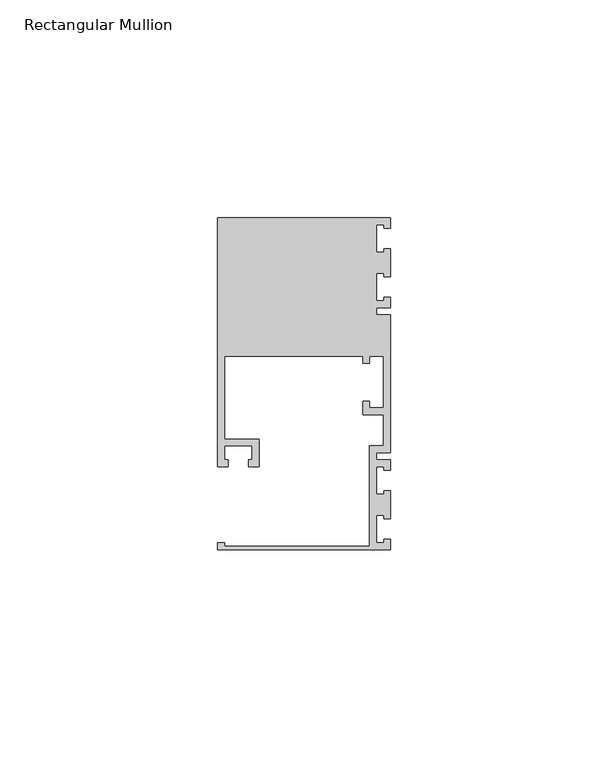
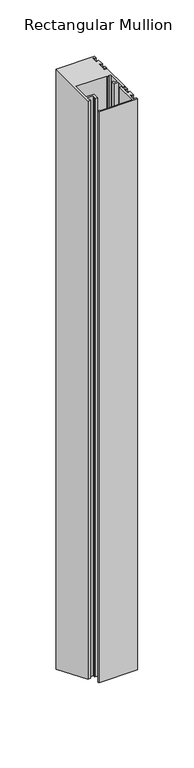
"""IFC4 building model written with IfcOpenShell, lengths in millimetres: member geometry, Rectangular Mullion."""

from ifc_helpers import new_model, si_unit, origin, place, context, project, spatial, faceted_brep, source, transform, mapped, element, save


def rectangular_mullion_ceac6c32(model_context):
    return source(origin(), model_context, "Body", "Brep", [
        faceted_brep([(0.0, -38.1, 0.0), (0.0, -35.71875, 0.0), (-1.4999946, -35.71875, 0.0), (-1.4999946, -36.5125, 0.0), (-3.175, -36.5125, 0.0), (-3.175, -30.1625, 0.0), (-1.4999946, -30.1625, 0.0), (-1.4999946, -30.95625, 0.0), (0.0, -30.95625, 0.0), (0.0, -24.60625, 0.0), (-1.4999946, -24.60625, 0.0), (-1.4999946, -25.4, 0.0), (-3.175, -25.4, 0.0), (-3.175, -19.05, 0.0), (-1.4999946, -19.05, 0.0), (-1.4999946, -19.84375, 0.0), (0.0, -19.84375, 0.0), (0.0, -17.4625, 0.0), (-3.175, -17.4625, 0.0), (-3.175, -15.875, 0.0), (0.0, -15.875, 0.0), (0.0, 15.875, 0.0), (-3.175, 15.875, 0.0), (-3.175, 17.4625, 0.0), (0.0, 17.4625, 0.0), (0.0, 19.84375, 0.0), (-1.4999946, 19.84375, 0.0), (-1.4999946, 19.05, 0.0), (-3.175, 19.05, 0.0), (-3.175, 25.4, 0.0), (-1.4999946, 25.4, 0.0), (-1.4999946, 24.60625, 0.0), (0.0, 24.60625, 0.0), (0.0, 30.95625, 0.0), (-1.4999946, 30.95625, 0.0), (-1.4999946, 30.1625, 0.0), (-3.175, 30.1625, 0.0), (-3.175, 36.5125, 0.0), (-1.4999946, 36.5125, 0.0), (-1.4999946, 35.71875, 0.0), (0.0, 35.71875, 0.0), (0.0, 38.1, 0.0), (-39.6875, 38.1, 0.0), (-39.6875, -19.05, 0.0), (-37.30625, -19.05, 0.0), (-37.30625, -17.4625, 0.0), (-38.1, -17.4625, 0.0), (-38.1, -14.2875, 0.0), (-31.75, -14.2875, 0.0), (-31.75, -17.4625, 0.0), (-32.54375, -17.4625, 0.0), (-32.54375, -19.05, 0.0), (-30.1625, -19.05, 0.0), (-30.1625, -12.7, 0.0), (-38.1, -12.7, 0.0), (-38.1, 6.35, 0.0), (-6.35, 6.35, 0.0), (-6.35, 4.7625, 0.0), (-4.7625, 4.7625, 0.0), (-4.7625, 6.35, 0.0), (-1.5875, 6.35, 0.0), (-1.5875, -5.55625, 0.0), (-4.7625, -5.55625, 0.0), (-4.7625, -3.96875, 0.0), (-6.35, -3.96875, 0.0), (-6.35, -7.14375, 0.0), (-1.5875, -7.14375, 0.0), (-1.5875, -14.2875, 0.0), (-4.7625, -14.2875, 0.0), (-4.7625, -37.30625, 0.0), (-38.1, -37.30625, 0.0), (-38.1, -36.5125, 0.0), (-39.6875, -36.5125, 0.0), (-39.6875, -38.1, 0.0), (0.0, -38.1, -619.2184633), (0.0, -35.71875, -620.2048093), (-1.4999946, -35.71875, -620.2048093), (-1.4999946, -36.5125, -619.8760273), (-3.175, -36.5125, -619.8760273), (-3.175, -30.1625, -622.5062834), (-1.4999946, -30.1625, -622.5062834), (-1.4999946, -30.95625, -622.1775014), (0.0, -30.95625, -622.1775014), (0.0, -24.60625, -624.8077575), (-1.4999946, -24.60625, -624.8077575), (-1.4999946, -25.4, -624.4789755), (-3.175, -25.4, -624.4789755), (-3.175, -19.05, -627.1092316), (-1.4999946, -19.05, -627.1092316), (-1.4999946, -19.84375, -626.7804496), (0.0, -19.84375, -626.7804496), (0.0, -17.4625, -627.7667957), (-3.175, -17.4625, -627.7667957), (-3.175, -15.875, -628.4243597), (0.0, -15.875, -628.4243597), (0.0, 15.875, -641.5756403), (-3.175, 15.875, -641.5756403), (-3.175, 17.4625, -642.2332043), (0.0, 17.4625, -642.2332043), (0.0, 19.84375, -643.2195504), (-1.4999946, 19.84375, -643.2195504), (-1.4999946, 19.05, -642.8907684), (-3.175, 19.05, -642.8907684), (-3.175, 25.4, -645.5210245), (-1.4999946, 25.4, -645.5210245), (-1.4999946, 24.60625, -645.1922425), (0.0, 24.60625, -645.1922425), (0.0, 30.95625, -647.8224986), (-1.4999946, 30.95625, -647.8224986), (-1.4999946, 30.1625, -647.4937166), (-3.175, 30.1625, -647.4937166), (-3.175, 36.5125, -650.1239727), (-1.4999946, 36.5125, -650.1239727), (-1.4999946, 35.71875, -649.7951907), (0.0, 35.71875, -649.7951907), (0.0, 38.1, -650.7815367), (-39.6875, 38.1, -650.7815367), (-39.6875, -19.05, -627.1092316), (-37.30625, -19.05, -627.1092316), (-37.30625, -17.4625, -627.7667957), (-38.1, -17.4625, -627.7667957), (-38.1, -14.2875, -629.0819237), (-31.75, -14.2875, -629.0819237), (-31.75, -17.4625, -627.7667957), (-32.54375, -17.4625, -627.7667957), (-32.54375, -19.05, -627.1092316), (-30.1625, -19.05, -627.1092316), (-30.1625, -12.7, -629.7394878), (-38.1, -12.7, -629.7394878), (-38.1, 6.35, -637.6302561), (-6.35, 6.35, -637.6302561), (-6.35, 4.7625, -636.9726921), (-4.7625, 4.7625, -636.9726921), (-4.7625, 6.35, -637.6302561), (-1.5875, 6.35, -637.6302561), (-1.5875, -5.55625, -632.6985259), (-4.7625, -5.55625, -632.6985259), (-4.7625, -3.96875, -633.3560899), (-6.35, -3.96875, -633.3560899), (-6.35, -7.14375, -632.0409619), (-1.5875, -7.14375, -632.0409619), (-1.5875, -14.2875, -629.0819237), (-4.7625, -14.2875, -629.0819237), (-4.7625, -37.30625, -619.5472453), (-38.1, -37.30625, -619.5472453), (-38.1, -36.5125, -619.8760273), (-39.6875, -36.5125, -619.8760273), (-39.6875, -38.1, -619.2184633)], [[[0, 1, 2, 3, 4, 5, 6, 7, 8, 9, 10, 11, 12, 13, 14, 15, 16, 17, 18, 19, 20, 21, 22, 23, 24, 25, 26, 27, 28, 29, 30, 31, 32, 33, 34, 35, 36, 37, 38, 39, 40, 41, 42, 43, 44, 45, 46, 47, 48, 49, 50, 51, 52, 53, 54, 55, 56, 57, 58, 59, 60, 61, 62, 63, 64, 65, 66, 67, 68, 69, 70, 71, 72, 73]], [[1, 0, 74, 75]], [[2, 1, 75, 76]], [[3, 2, 76, 77]], [[4, 3, 77, 78]], [[5, 4, 78, 79]], [[6, 5, 79, 80]], [[7, 6, 80, 81]], [[8, 7, 81, 82]], [[9, 8, 82, 83]], [[10, 9, 83, 84]], [[11, 10, 84, 85]], [[12, 11, 85, 86]], [[13, 12, 86, 87]], [[14, 13, 87, 88]], [[15, 14, 88, 89]], [[16, 15, 89, 90]], [[17, 16, 90, 91]], [[18, 17, 91, 92]], [[19, 18, 92, 93]], [[20, 19, 93, 94]], [[21, 20, 94, 95]], [[22, 21, 95, 96]], [[23, 22, 96, 97]], [[24, 23, 97, 98]], [[25, 24, 98, 99]], [[26, 25, 99, 100]], [[27, 26, 100, 101]], [[28, 27, 101, 102]], [[29, 28, 102, 103]], [[30, 29, 103, 104]], [[31, 30, 104, 105]], [[32, 31, 105, 106]], [[33, 32, 106, 107]], [[34, 33, 107, 108]], [[35, 34, 108, 109]], [[36, 35, 109, 110]], [[37, 36, 110, 111]], [[38, 37, 111, 112]], [[39, 38, 112, 113]], [[40, 39, 113, 114]], [[41, 40, 114, 115]], [[42, 41, 115, 116]], [[43, 42, 116, 117]], [[44, 43, 117, 118]], [[45, 44, 118, 119]], [[46, 45, 119, 120]], [[47, 46, 120, 121]], [[48, 47, 121, 122]], [[49, 48, 122, 123]], [[50, 49, 123, 124]], [[51, 50, 124, 125]], [[52, 51, 125, 126]], [[53, 52, 126, 127]], [[54, 53, 127, 128]], [[55, 54, 128, 129]], [[56, 55, 129, 130]], [[57, 56, 130, 131]], [[58, 57, 131, 132]], [[59, 58, 132, 133]], [[60, 59, 133, 134]], [[61, 60, 134, 135]], [[62, 61, 135, 136]], [[63, 62, 136, 137]], [[64, 63, 137, 138]], [[65, 64, 138, 139]], [[66, 65, 139, 140]], [[67, 66, 140, 141]], [[68, 67, 141, 142]], [[69, 68, 142, 143]], [[70, 69, 143, 144]], [[71, 70, 144, 145]], [[72, 71, 145, 146]], [[73, 72, 146, 147]], [[0, 73, 147, 74]], [[74, 147, 146, 145, 144, 143, 142, 141, 140, 139, 138, 137, 136, 135, 134, 133, 132, 131, 130, 129, 128, 127, 126, 125, 124, 123, 122, 121, 120, 119, 118, 117, 116, 115, 114, 113, 112, 111, 110, 109, 108, 107, 106, 105, 104, 103, 102, 101, 100, 99, 98, 97, 96, 95, 94, 93, 92, 91, 90, 89, 88, 87, 86, 85, 84, 83, 82, 81, 80, 79, 78, 77, 76, 75]]]),
    ])


if __name__ == "__main__":
    model = new_model("IFC4")
    model_context = context("Model", 3, world=origin())
    ifc_project = project(units=[si_unit("LENGTHUNIT", "METRE", prefix="MILLI")], contexts=[model_context])
    site = spatial("IfcSite", under=ifc_project)
    building = spatial("IfcBuilding", under=site)
    placement = place(None, origin())
    rectangular_mullion_shape = rectangular_mullion_ceac6c32(model_context)
    element("IfcMember", 1, ObjectType="Rectangular Mullion", at=placement, inside=building, context=model_context, shape_type="MappedRepresentation", body=[
        mapped(rectangular_mullion_shape, transform((0.0, 0.0, 0.0), x_axis=(1.0, 0.0, 0.0), y_axis=(0.0, 1.0, 0.0), z_axis=(0.0, 0.0, 1.0))),
    ])
    save(model, "model.ifc")
